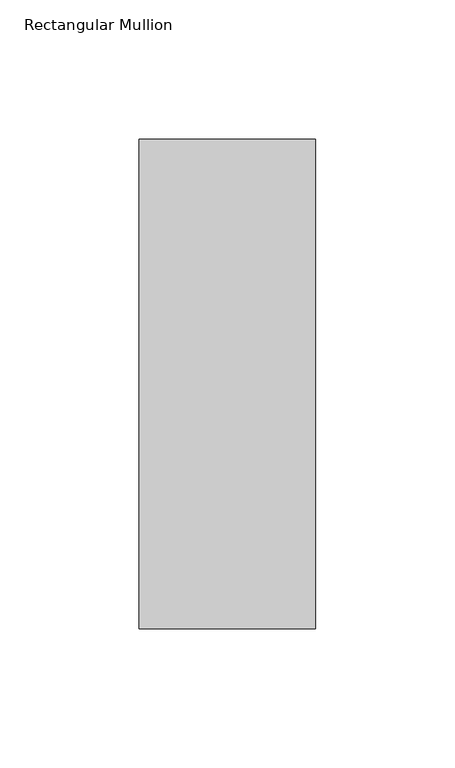
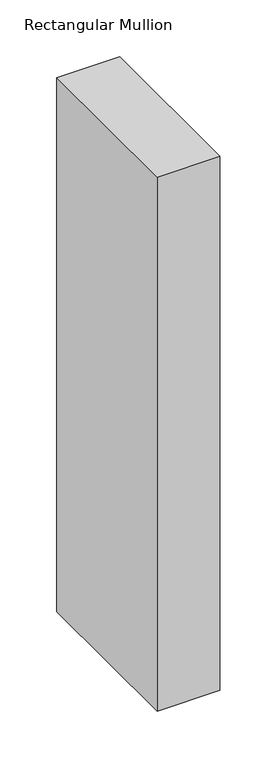
"""IFC4 building model written with IfcOpenShell, lengths in millimetres: member geometry, Rectangular Mullion."""

from ifc_helpers import new_model, si_unit, frame, origin, place, context, project, spatial, polyline, outline, extrude, source, transform, mapped, element, save


def rectangular_mullion_95e2e4e7(model_context):
    return source(origin(), model_context, "Body", "SweptSolid", [
        extrude(outline(polyline([(-63.5, 222.5381313), (0.0, 222.5381313), (0.0, 46.7447302), (-63.5, 46.7447302), (-63.5, 222.5381313)])), frame((0.0, 0.0, -571.8194229), z_axis=(0.0, 0.0, 1.0), x_axis=(1.0, 0.0, 0.0)), (0.0, 0.0, 1.0), 571.8194229),
    ])


if __name__ == "__main__":
    model = new_model("IFC4")
    model_context = context("Model", 3, world=origin())
    ifc_project = project(units=[si_unit("LENGTHUNIT", "METRE", prefix="MILLI")], contexts=[model_context])
    site = spatial("IfcSite", under=ifc_project)
    building = spatial("IfcBuilding", under=site)
    placement = place(None, origin())
    rectangular_mullion_shape = rectangular_mullion_95e2e4e7(model_context)
    element("IfcMember", 1, ObjectType="Rectangular Mullion", at=placement, inside=building, context=model_context, shape_type="MappedRepresentation", body=[
        mapped(rectangular_mullion_shape, transform((0.0, 0.0, 0.0), x_axis=(1.0, 0.0, 0.0), y_axis=(0.0, 1.0, 0.0), z_axis=(0.0, 0.0, 1.0))),
    ])
    save(model, "model.ifc")
